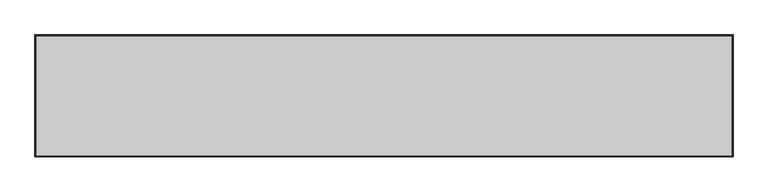
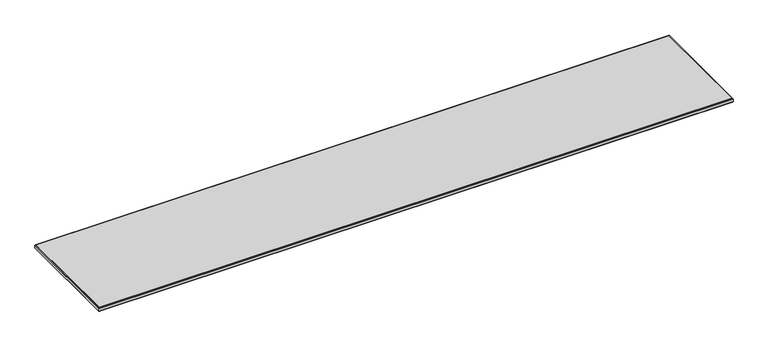
"""IFC4 building model written with IfcOpenShell, lengths in millimetres: furniture geometry."""

from ifc_helpers import new_model, si_unit, frame, origin, place, context, project, spatial, polyline, outline, extrude, faceted_brep, source, transform, mapped, element, save


def furniture_acabd1fd(model_context):
    return source(origin(), model_context, "Body", "SolidModel", [
        faceted_brep([(1828.2142073, 19.7166075, 1043.3885283), (1826.7934, 18.2958003, 1042.8000114), (2.0066, 18.2958003, 1042.8000114), (0.5857927, 19.7166075, 1043.3885283), (1828.8, 20.3024003, 1044.8027589), (0.0, 20.3024003, 1044.8027589), (1828.8, 20.3024003, 1054.8000057), (0.0, 20.3024003, 1054.8000057), (1826.7934, 18.2958003, 1054.8000057), (2.0066, 18.2958003, 1054.8000057), (2.0066, -212.5041983, 1042.8000114), (0.5857927, -213.9250056, 1043.3885283), (0.0, -214.5107983, 1044.8027589), (0.0, -214.5107983, 1054.8000057), (2.0066, -212.5041983, 1054.8000057), (1826.7934, -212.5041983, 1042.8000114), (1828.2142073, -213.9250056, 1043.3885283), (1828.8, -214.5107983, 1044.8027589), (1828.8, -214.5107983, 1054.8000057), (1826.7934, -212.5041983, 1054.8000057)], [[[0, 1, 2, 3]], [[4, 0, 3, 5]], [[6, 4, 5, 7]], [[1, 8, 9, 2]], [[3, 2, 10, 11]], [[5, 3, 11, 12]], [[7, 5, 12, 13]], [[2, 9, 14, 10]], [[11, 10, 15, 16]], [[12, 11, 16, 17]], [[13, 12, 17, 18]], [[10, 14, 19, 15]], [[16, 15, 1, 0]], [[17, 16, 0, 4]], [[18, 17, 4, 6]], [[7, 13, 18, 6], [8, 19, 14, 9]], [[15, 19, 8, 1]]]),
        extrude(outline(polyline([(1826.7934, 18.2958003), (1826.7934, -212.5041983), (2.0066, -212.5041983), (2.0066, 18.2958003), (1826.7934, 18.2958003)])), frame((0.0, 0.0, 1042.8000114), z_axis=(0.0, 0.0, 1.0), x_axis=(1.0, 0.0, 0.0)), (0.0, 0.0, 1.0), 11.9999943),
        faceted_brep([(1828.3082364, 73.7600281, 1055.3857985), (1826.8940059, 72.3457976, 1054.8000057), (-23.3934, 72.3457976, 1054.8000057), (-24.8076305, 73.7600281, 1055.3857985), (1828.8940291, 74.3458208, 1056.800029), (-25.3934233, 74.3458208, 1056.800029), (1828.8940291, 74.3458208, 1064.7999767), (-25.3934233, 74.3458208, 1064.7999767), (1828.3082364, 73.7600281, 1066.2142073), (-24.8076305, 73.7600281, 1066.2142073), (1826.8940059, 72.3457976, 1066.8030114), (-23.3934, 72.3457976, 1066.8030114), (-23.3934, -247.5042058, 1054.8000057), (-24.8076305, -248.9184364, 1055.3857985), (-25.3934233, -249.5042291, 1056.800029), (-25.3934233, -249.5042291, 1064.7999767), (-24.8076305, -248.9184364, 1066.2142073), (-23.3934, -247.5042058, 1066.8030114), (1826.8940059, -247.5042058, 1054.8000057), (1828.3082364, -248.9184364, 1055.3857985), (1828.8940291, -249.5042291, 1056.800029), (1828.8940291, -249.5042291, 1064.7999767), (1828.3082364, -248.9184364, 1066.2142073), (1826.8940059, -247.5042058, 1066.8030114)], [[[0, 1, 2, 3]], [[4, 0, 3, 5]], [[6, 4, 5, 7]], [[8, 6, 7, 9]], [[10, 8, 9, 11]], [[1, 10, 11, 2]], [[3, 2, 12, 13]], [[5, 3, 13, 14]], [[7, 5, 14, 15]], [[9, 7, 15, 16]], [[11, 9, 16, 17]], [[2, 11, 17, 12]], [[13, 12, 18, 19]], [[14, 13, 19, 20]], [[15, 14, 20, 21]], [[16, 15, 21, 22]], [[17, 16, 22, 23]], [[12, 17, 23, 18]], [[19, 18, 1, 0]], [[20, 19, 0, 4]], [[21, 20, 4, 6]], [[22, 21, 6, 8]], [[23, 22, 8, 10]], [[18, 23, 10, 1]]]),
        extrude(outline(polyline([(1826.8940059, 72.3457976), (1826.8940059, -247.5042058), (-23.3934, -247.5042058), (-23.3934, 72.3457976), (1826.8940059, 72.3457976)])), frame((0.0, 0.0, 1054.8000057), z_axis=(0.0, 0.0, 1.0), x_axis=(1.0, 0.0, 0.0)), (0.0, 0.0, 1.0), 12.0030057),
    ])


if __name__ == "__main__":
    model = new_model("IFC4")
    model_context = context("Model", 3, world=origin())
    ifc_project = project(units=[si_unit("LENGTHUNIT", "METRE", prefix="MILLI")], contexts=[model_context])
    site = spatial("IfcSite", under=ifc_project)
    building = spatial("IfcBuilding", under=site)
    placement = place(None, origin())
    furniture_shape = furniture_acabd1fd(model_context)
    element("IfcFurniture", 1, at=placement, inside=building, context=model_context, shape_type="MappedRepresentation", body=[
        mapped(furniture_shape, transform((0.0, 0.0, 0.0), x_axis=(1.0, 0.0, 0.0), y_axis=(0.0, 1.0, 0.0), z_axis=(0.0, 0.0, 1.0))),
    ])
    save(model, "model.ifc")
